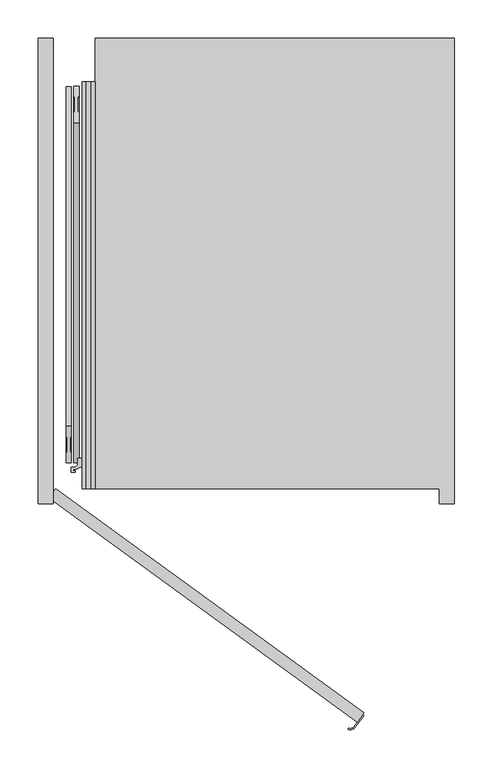
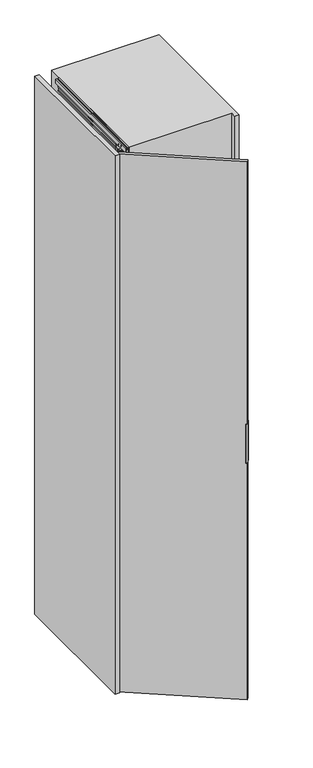
"""IFC4 building model written with IfcOpenShell, lengths in millimetres: furniture geometry."""

from ifc_helpers import new_model, si_unit, point, frame, frame_2d, origin, origin_with_axes, place, context, project, spatial, polyline, circle_curve, trimmed, segment, composite_curve, outline, extrude, faceted_brep, source, transform, mapped, element, save


def furniture_1d1e9ac3(model_context):
    return source(origin(), model_context, "Body", "SolidModel", [
        extrude(outline(composite_curve([segment(polyline([(350.7451414, -296.3196771), (351.9586669, -297.201355), (341.0735707, -312.1834047)]), True, "CONTINUOUS"), segment(trimmed(circle_curve(frame_2d((334.2088338, -307.1958814)), 8.4852814), [point((341.0735707, -312.1834047))], [point((331.167981, -315.117574))], False, "CARTESIAN"), True, "CONTINUOUS"), segment(polyline([(331.167981, -315.117574), (331.7055329, -313.7172034)]), True, "CONTINUOUS"), segment(trimmed(circle_curve(frame_2d((334.2088338, -307.1958814)), 6.9852814), [point((331.7055329, -313.7172034))], [point((339.8600452, -311.3017268))], True, "CARTESIAN"), True, "CONTINUOUS"), segment(polyline([(339.8600452, -311.3017268), (350.7451414, -296.3196771)]), True, "CONTINUOUS")], self_intersect=False)), frame((0.0, 0.0, 1110.0), z_axis=(0.0, 0.0, 1.0), x_axis=(1.0, 0.0, 0.0)), (0.0, 0.0, 1.0), 180.0),
        extrude(outline(polyline([(-60.8167788, -12.1352549), (-52.0, 0.0), (352.5084972, -293.8926261), (343.6917184, -306.0278811), (-60.8167788, -12.1352549)])), origin_with_axes(), (0.0, 0.0, 1.0), 2500.0),
        extrude(outline(polyline([(17.0, -17.0), (-2.0, -17.0), (-2.0, -12.75), (0.25, -12.75), (0.25, -15.0), (2.9, -15.0), (2.9, -3.0), (0.25, -3.0), (0.25, -5.25), (-2.0, -5.25), (-2.0, 0.0), (56.5663764, 0.0), (57.0913089, -6.0), (54.1547673, -6.0), (54.1547673, -2.5), (38.5, -2.5), (38.5, -6.0), (35.5, -6.0), (35.5, -3.0104888), (5.5, -3.0104888), (5.5, -15.0), (17.0, -15.0), (17.0, -17.0)])), frame((0.0, 0.0, 0.0), z_axis=(0.0, 1.0, 0.0), x_axis=(0.0, 0.0, 1.0)), (0.0, 0.0, 1.0), 533.0),
        extrude(outline(polyline([(2483.0, -15.0), (2494.5, -15.0), (2494.5, -3.0104888), (2464.5, -3.0104888), (2464.5, -6.0), (2461.5, -6.0), (2461.5, -2.5), (2445.8452327, -2.5), (2445.8452327, -6.0), (2442.9086911, -6.0), (2443.4336236, 0.0), (2502.0, 0.0), (2502.0, -5.25), (2499.75, -5.25), (2499.75, -3.0), (2497.1, -3.0), (2497.1, -15.0), (2499.75, -15.0), (2499.75, -12.75), (2502.0, -12.75), (2502.0, -17.0), (2483.0, -17.0), (2483.0, -15.0)])), frame((0.0, 0.0, 0.0), z_axis=(0.0, 1.0, 0.0), x_axis=(0.0, 0.0, 1.0)), (0.0, 0.0, 1.0), 533.0),
        faceted_brep([(-15.8313044, 44.5, 33.9), (-15.8313044, 68.7, 33.9), (-15.8313044, 68.7, 21.9), (-15.8313044, 44.5, 21.9), (-13.8052444, 68.7, 33.9), (-13.8052444, 44.5, 33.9), (-13.8052444, 44.5, 21.9), (-13.8052444, 68.7, 21.9), (-14.2052444, 68.7, 21.9), (-14.2052444, 68.7, 19.301924), (-14.2052444, 44.5, 19.301924), (-14.2052444, 44.5, 21.9), (-10.2052444, 81.5, 21.9), (-14.2052444, 77.5, 21.9), (-14.2052444, 35.5, 21.9), (-10.2052444, 31.5, 21.9), (-7.8052444, 31.5, 21.9), (-3.8052444, 35.5, 21.9), (-3.8052444, 77.5193461, 21.9), (-7.7858983, 81.5, 21.9), (-3.8052444, 70.0, 9.0920874), (-3.8052444, 42.8540496, 9.0920874), (-14.2052444, 42.8540496, 9.0920874), (-14.2052444, 70.0, 9.0920874), (-10.2052444, 81.5, 14.45), (-14.2052444, 77.5, 14.45), (-14.2052444, 42.8540496, 14.45), (-14.2052444, 35.5, 14.45), (-14.2052444, 70.0, 14.45), (-14.2052444, 64.0, 15.2), (-14.2052444, 49.0, 15.2), (-14.2052444, 49.0, 11.4378021), (-14.2052444, 64.0, 11.4378021), (-10.2052444, 31.5, 14.45), (-7.8052444, 31.5, 14.45), (-3.8052444, 35.5, 14.45), (-3.8052444, 42.8540496, 14.45), (-3.8052444, 70.0, 14.45), (-3.8052444, 77.5193461, 14.45), (-3.8052444, 49.0, 15.2), (-3.8052444, 64.0, 15.2), (-3.8052444, 64.0, 11.4378021), (-3.8052444, 49.0, 11.4378021), (-7.7858983, 81.5, 14.45)], [[[0, 1, 2, 3]], [[4, 5, 6, 7]], [[1, 0, 5, 4]], [[1, 4, 7, 8, 9, 2]], [[5, 0, 3, 10, 11, 6]], [[3, 2, 9, 10]], [[12, 13, 8, 7, 6, 11, 14, 15, 16, 17, 18, 19]], [[20, 21, 22, 23]], [[13, 12, 24, 25]], [[23, 22, 26, 27, 14, 11, 10, 9, 8, 13, 25, 28], [29, 30, 31, 32]], [[15, 14, 27, 33]], [[16, 15, 33, 34]], [[17, 16, 34, 35]], [[18, 17, 35, 36, 21, 20, 37, 38], [39, 40, 41, 42]], [[19, 18, 38, 43]], [[12, 19, 43, 24]], [[37, 28, 25, 24, 43, 38]], [[28, 37, 20, 23]], [[29, 40, 39, 30]], [[40, 29, 32, 41]], [[30, 39, 42, 31]], [[26, 36, 35, 34, 33, 27]], [[36, 26, 22, 21]], [[41, 32, 31, 42]]]),
        extrude(outline(composite_curve([segment(trimmed(circle_curve(frame_2d((-9.0052444, 37.1770248)), 5.75), [point((-9.0052444, 42.9270248))], [point((-9.0052444, 31.4270248))], False, "CARTESIAN"), True, "CONTINUOUS"), segment(trimmed(circle_curve(frame_2d((-9.0052444, 37.1770248)), 5.75), [point((-9.0052444, 31.4270248))], [point((-9.0052444, 42.9270248))], False, "CARTESIAN"), True, "CONTINUOUS")], self_intersect=False)), frame((0.0, 0.0, 6.65), z_axis=(0.0, 0.0, 1.0), x_axis=(1.0, 0.0, 0.0)), (0.0, 0.0, 1.0), 7.3),
        extrude(outline(composite_curve([segment(trimmed(circle_curve(frame_2d((-9.0052444, 56.5)), 5.75), [point((-9.0052444, 62.25))], [point((-9.0052444, 50.75))], False, "CARTESIAN"), True, "CONTINUOUS"), segment(trimmed(circle_curve(frame_2d((-9.0052444, 56.5)), 5.75), [point((-9.0052444, 50.75))], [point((-9.0052444, 62.25))], False, "CARTESIAN"), True, "CONTINUOUS")], self_intersect=False)), frame((0.0, 0.0, 11.4378021), z_axis=(0.0, 0.0, 1.0), x_axis=(1.0, 0.0, 0.0)), (0.0, 0.0, 1.0), 3.7621979),
        extrude(outline(composite_curve([segment(trimmed(circle_curve(frame_2d((-9.0052444, 75.75)), 5.75), [point((-9.0052444, 81.5))], [point((-9.0052444, 70.0))], False, "CARTESIAN"), True, "CONTINUOUS"), segment(trimmed(circle_curve(frame_2d((-9.0052444, 75.75)), 5.75), [point((-9.0052444, 70.0))], [point((-9.0052444, 81.5))], False, "CARTESIAN"), True, "CONTINUOUS")], self_intersect=False)), frame((0.0, 0.0, 6.65), z_axis=(0.0, 0.0, 1.0), x_axis=(1.0, 0.0, 0.0)), (0.0, 0.0, 1.0), 7.3),
        faceted_brep([(-15.8313044, 68.5, 2466.1), (-15.8313044, 44.3, 2466.1), (-15.8313044, 44.3, 2478.1), (-15.8313044, 68.5, 2478.1), (-13.8052444, 44.3, 2466.1), (-13.8052444, 68.5, 2466.1), (-13.8052444, 68.5, 2478.1), (-13.8052444, 44.3, 2478.1), (-14.2052444, 44.3, 2478.1), (-14.2052444, 44.3, 2480.698076), (-14.2052444, 68.5, 2480.698076), (-14.2052444, 68.5, 2478.1), (-10.2052444, 31.5, 2478.1), (-14.2052444, 35.5, 2478.1), (-14.2052444, 77.5, 2478.1), (-10.2052444, 81.5, 2478.1), (-7.8052444, 81.5, 2478.1), (-3.8052444, 77.5, 2478.1), (-3.8052444, 35.4806539, 2478.1), (-7.7858983, 31.5, 2478.1), (-3.8052444, 43.0, 2490.9079126), (-3.8052444, 70.1459504, 2490.9079126), (-14.2052444, 70.1459504, 2490.9079126), (-14.2052444, 43.0, 2490.9079126), (-10.2052444, 31.5, 2485.55), (-14.2052444, 35.5, 2485.55), (-14.2052444, 70.1459504, 2485.55), (-14.2052444, 77.5, 2485.55), (-14.2052444, 43.0, 2485.55), (-14.2052444, 49.0, 2484.8), (-14.2052444, 64.0, 2484.8), (-14.2052444, 64.0, 2488.5621979), (-14.2052444, 49.0, 2488.5621979), (-10.2052444, 81.5, 2485.55), (-7.8052444, 81.5, 2485.55), (-3.8052444, 77.5, 2485.55), (-3.8052444, 70.1459504, 2485.55), (-3.8052444, 43.0, 2485.55), (-3.8052444, 35.4806539, 2485.55), (-3.8052444, 64.0, 2484.8), (-3.8052444, 49.0, 2484.8), (-3.8052444, 49.0, 2488.5621979), (-3.8052444, 64.0, 2488.5621979), (-7.7858983, 31.5, 2485.55)], [[[0, 1, 2, 3]], [[4, 5, 6, 7]], [[1, 0, 5, 4]], [[1, 4, 7, 8, 9, 2]], [[5, 0, 3, 10, 11, 6]], [[3, 2, 9, 10]], [[12, 13, 8, 7, 6, 11, 14, 15, 16, 17, 18, 19]], [[20, 21, 22, 23]], [[13, 12, 24, 25]], [[23, 22, 26, 27, 14, 11, 10, 9, 8, 13, 25, 28], [29, 30, 31, 32]], [[15, 14, 27, 33]], [[16, 15, 33, 34]], [[17, 16, 34, 35]], [[18, 17, 35, 36, 21, 20, 37, 38], [39, 40, 41, 42]], [[19, 18, 38, 43]], [[12, 19, 43, 24]], [[37, 28, 25, 24, 43, 38]], [[28, 37, 20, 23]], [[29, 40, 39, 30]], [[40, 29, 32, 41]], [[30, 39, 42, 31]], [[26, 36, 35, 34, 33, 27]], [[36, 26, 22, 21]], [[41, 32, 31, 42]]]),
        extrude(outline(composite_curve([segment(trimmed(circle_curve(frame_2d((-9.0052444, 75.8229752)), 5.75), [point((-9.0052444, 70.0729752))], [point((-9.0052444, 81.5729752))], False, "CARTESIAN"), True, "CONTINUOUS"), segment(trimmed(circle_curve(frame_2d((-9.0052444, 75.8229752)), 5.75), [point((-9.0052444, 81.5729752))], [point((-9.0052444, 70.0729752))], False, "CARTESIAN"), True, "CONTINUOUS")], self_intersect=False)), frame((0.0, 0.0, 2486.05), z_axis=(0.0, 0.0, 1.0), x_axis=(1.0, 0.0, 0.0)), (0.0, 0.0, 1.0), 7.3),
        extrude(outline(composite_curve([segment(trimmed(circle_curve(frame_2d((-9.0052444, 56.5)), 5.75), [point((-9.0052444, 50.75))], [point((-9.0052444, 62.25))], False, "CARTESIAN"), True, "CONTINUOUS"), segment(trimmed(circle_curve(frame_2d((-9.0052444, 56.5)), 5.75), [point((-9.0052444, 62.25))], [point((-9.0052444, 50.75))], False, "CARTESIAN"), True, "CONTINUOUS")], self_intersect=False)), frame((0.0, 0.0, 2484.8), z_axis=(0.0, 0.0, 1.0), x_axis=(1.0, 0.0, 0.0)), (0.0, 0.0, 1.0), 3.7621979),
        extrude(outline(composite_curve([segment(trimmed(circle_curve(frame_2d((-9.0052444, 37.25)), 5.75), [point((-9.0052444, 31.5))], [point((-9.0052444, 43.0))], False, "CARTESIAN"), True, "CONTINUOUS"), segment(trimmed(circle_curve(frame_2d((-9.0052444, 37.25)), 5.75), [point((-9.0052444, 43.0))], [point((-9.0052444, 31.5))], False, "CARTESIAN"), True, "CONTINUOUS")], self_intersect=False)), frame((0.0, 0.0, 2486.05), z_axis=(0.0, 0.0, 1.0), x_axis=(1.0, 0.0, 0.0)), (0.0, 0.0, 1.0), 7.3),
        extrude(outline(polyline([(-8.4980052, 11.2885509), (-8.4980052, 24.9437822), (-1.5019948, 24.9437822), (-1.5019948, 11.2885509), (-2.9019839, 8.7447792), (-2.9019839, -8.7447792), (-1.5019948, -11.2885509), (-1.5019948, -24.9437822), (-8.4980052, -24.9437822), (-8.4980052, -11.2885509), (-7.0980161, -8.7447792), (-7.0980161, 8.7447792), (-8.4980052, 11.2885509)])), frame((-30.0, 503.0, 263.0), z_axis=(0.0, -0.2968216785838769, 0.9549329249338142), x_axis=(1.0, 0.0, 0.0)), (0.0, 0.0, 1.0), 1500.0),
        extrude(outline(polyline([(1.5019948, -11.2885509), (2.9019839, -8.7447792), (2.9019839, 8.7447792), (1.5019948, 11.2885509), (1.5019948, 24.9437823), (8.4980052, 24.9437823), (8.4980052, 11.2885509), (7.0980161, 8.7447792), (7.0980161, -8.7447792), (8.4980052, -11.2885509), (8.4980052, -24.9437822), (1.5019948, -24.9437822), (1.5019948, -11.2885509)])), frame((-30.0, 57.7674821, 330.6006126), z_axis=(0.0, 0.29682167858387626, 0.9549329249338144), x_axis=(1.0, 0.0, 0.0)), (0.0, 0.0, 1.0), 1500.0),
        extrude(outline(polyline([(-14.6, 76.0), (-6.85, 76.0), (-6.85, 38.0), (-8.85, 36.0), (-11.1, 36.0), (-12.6, 34.5), (-12.6, 28.5720943), (-9.1, 30.5928201), (-9.1, 25.0), (-10.1, 25.0), (-11.1, 26.0), (-14.7999998, 26.0), (-15.99707, 29.2889243), (-21.16538, 27.407813), (-25.2566983, 25.5), (-29.1, 25.5), (-29.1, 23.2), (-26.3, 23.2), (-26.3, 21.5), (-31.6, 21.5), (-31.6, 28.0), (-26.35, 28.0), (-23.35, 31.0), (-23.35, 39.5), (-14.6, 39.5), (-14.6, 44.3), (-12.2, 44.3), (-12.2, 40.8), (-9.6, 40.8), (-9.6, 48.5), (-10.6, 49.5), (-10.6, 63.5), (-9.6, 64.5), (-9.6, 72.2), (-12.2, 72.2), (-12.2, 68.7), (-14.6, 68.7), (-14.6, 76.0)])), frame((0.0, 0.0, 21.9), z_axis=(0.0, 0.0, 1.0), x_axis=(1.0, 0.0, 0.0)), (0.0, 0.0, 1.0), 2456.2),
        extrude(outline(polyline([(-75.0, 590.0), (-55.0, 590.0), (-55.0, -20.0), (-75.0, -20.0), (-75.0, 590.0)])), origin_with_axes(), (0.0, 0.0, 1.0), 2502.0),
        extrude(outline(polyline([(451.0, 0.0), (0.0, 0.0), (0.0, 590.0), (471.0, 590.0), (471.0, -20.0), (451.0, -20.0), (451.0, 0.0)])), frame((0.0, 0.0, -2.0), z_axis=(0.0, 0.0, 1.0), x_axis=(1.0, 0.0, 0.0)), (0.0, 0.0, 1.0), 2504.0),
    ])


if __name__ == "__main__":
    model = new_model("IFC4")
    model_context = context("Model", 3, world=origin())
    ifc_project = project(units=[si_unit("LENGTHUNIT", "METRE", prefix="MILLI")], contexts=[model_context])
    site = spatial("IfcSite", under=ifc_project)
    building = spatial("IfcBuilding", under=site)
    placement = place(None, origin())
    furniture_shape = furniture_1d1e9ac3(model_context)
    element("IfcFurniture", 1, at=placement, inside=building, context=model_context, shape_type="MappedRepresentation", body=[
        mapped(furniture_shape, transform((0.0, 0.0, 0.0), x_axis=(1.0, 0.0, 0.0), y_axis=(0.0, 1.0, 0.0), z_axis=(0.0, 0.0, 1.0))),
    ])
    save(model, "model.ifc")
